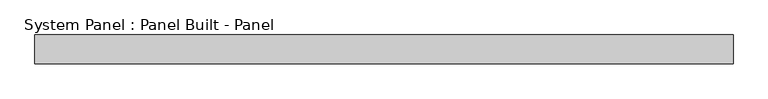
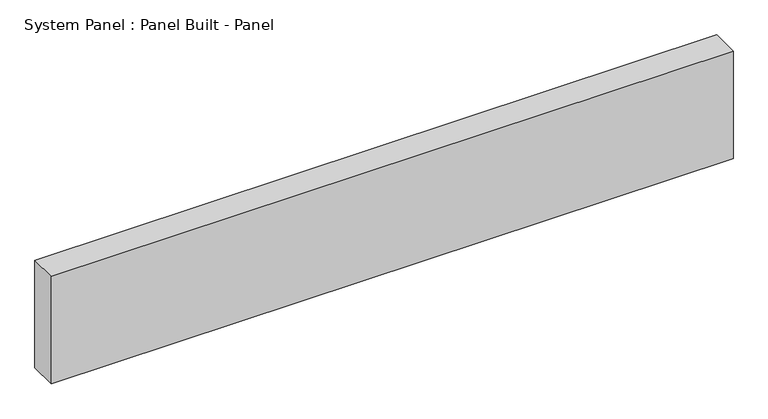
"""IFC4 building model written with IfcOpenShell, lengths in millimetres: plate geometry, System Panel : Panel Built - Panel."""

from ifc_helpers import new_model, si_unit, origin, origin_with_axes, place, context, project, spatial, polyline, outline, extrude, source, transform, mapped, element, save


def system_panel_panel_built_panel_aa14acab(model_context):
    return source(origin(), model_context, "Body", "SweptSolid", [
        extrude(outline(polyline([(1219.2, -50.8), (-1219.2, -50.8), (-1219.2, 50.8), (1219.2, 50.8), (1219.2, -50.8)])), origin_with_axes(), (0.0, 0.0, 1.0), 406.4),
    ])


if __name__ == "__main__":
    model = new_model("IFC4")
    model_context = context("Model", 3, world=origin())
    ifc_project = project(units=[si_unit("LENGTHUNIT", "METRE", prefix="MILLI")], contexts=[model_context])
    site = spatial("IfcSite", under=ifc_project)
    building = spatial("IfcBuilding", under=site)
    placement = place(None, origin())
    system_panel_panel_built_panel_shape = system_panel_panel_built_panel_aa14acab(model_context)
    element("IfcPlate", 1, ObjectType="System Panel : Panel Built - Panel", at=placement, inside=building, context=model_context, shape_type="MappedRepresentation", body=[
        mapped(system_panel_panel_built_panel_shape, transform((0.0, 0.0, 0.0), x_axis=(1.0, 0.0, 0.0), y_axis=(0.0, 1.0, 0.0), z_axis=(0.0, 0.0, 1.0))),
    ])
    save(model, "model.ifc")
